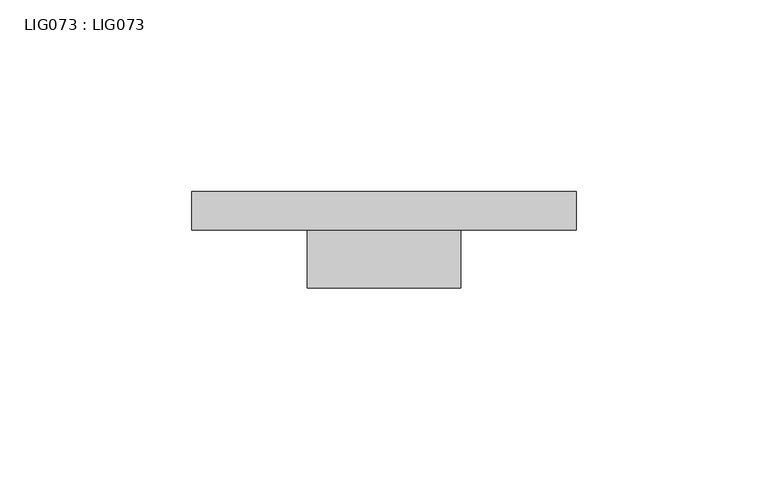
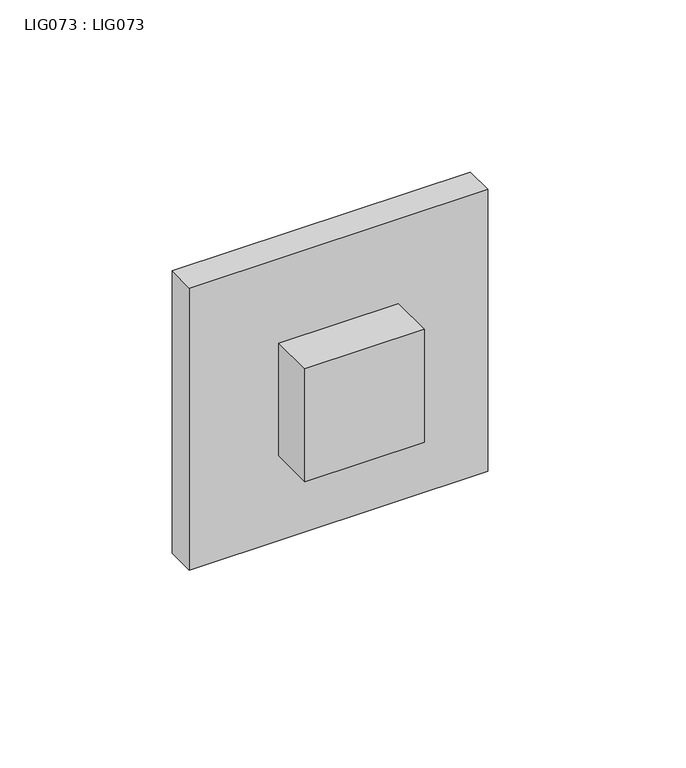
"""IFC4 building model written with IfcOpenShell, lengths in millimetres: proxy geometry, LIG073 : LIG073."""

from ifc_helpers import new_model, si_unit, frame, origin, place, context, project, spatial, polyline, outline, extrude, source, transform, mapped, element, save


def lig073_lig073_f57f32fa(model_context):
    return source(origin(), model_context, "Body", "SweptSolid", [
        extrude(outline(polyline([(20.0000011, -25.0000002), (-20.0000011, -25.0000002), (-20.0000011, -10.0000005), (20.0000011, -10.0000005), (20.0000011, -25.0000002)])), frame((0.0, 0.0, -20.0000011), z_axis=(0.0, 0.0, 1.0), x_axis=(1.0, 0.0, 0.0)), (0.0, 0.0, 1.0), 40.0000021),
        extrude(outline(polyline([(50.0000004, 0.0), (50.0000004, -10.0000005), (-50.0000004, -10.0000005), (-50.0000004, 0.0), (50.0000004, 0.0)])), frame((0.0, 0.0, -50.0000004), z_axis=(0.0, 0.0, 1.0), x_axis=(1.0, 0.0, 0.0)), (0.0, 0.0, 1.0), 100.0000008),
    ])


if __name__ == "__main__":
    model = new_model("IFC4")
    model_context = context("Model", 3, world=origin())
    ifc_project = project(units=[si_unit("LENGTHUNIT", "METRE", prefix="MILLI")], contexts=[model_context])
    site = spatial("IfcSite", under=ifc_project)
    building = spatial("IfcBuilding", under=site)
    placement = place(None, origin())
    lig073_lig073_shape = lig073_lig073_f57f32fa(model_context)
    element("IfcBuildingElementProxy", 1, Name="LIG073 : LIG073", ObjectType="LIG073 : LIG073", at=placement, inside=building, context=model_context, shape_type="MappedRepresentation", body=[
        mapped(lig073_lig073_shape, transform((0.0, 0.0, 0.0), x_axis=(1.0, 0.0, 0.0), y_axis=(0.0, 1.0, 0.0), z_axis=(0.0, 0.0, 1.0))),
    ])
    save(model, "model.ifc")
